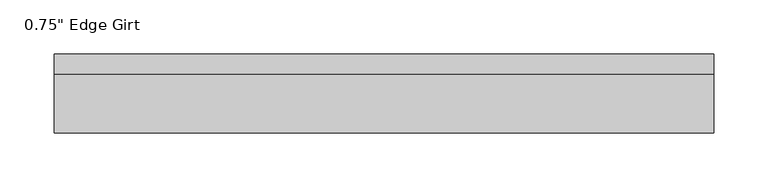
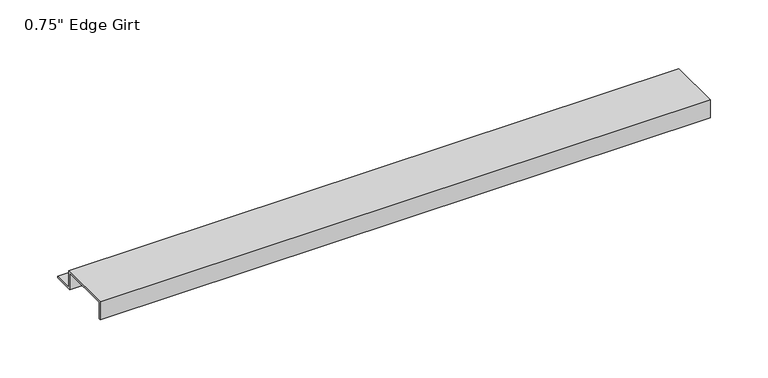
"""IFC4 building model written with IfcOpenShell, lengths in millimetres: proxy geometry."""

from ifc_helpers import new_model, si_unit, frame, origin, place, context, project, spatial, polyline, outline, extrude, source, transform, mapped, element, save


def proxy_44dffc5e(model_context):
    return source(origin(), model_context, "Body", "SweptSolid", [
        extrude(outline(polyline([(46.0559645, -17.4375), (25.4, -17.4375), (25.4, 0.0), (-25.4, 0.0), (-25.4, -17.4375), (-27.0129, -17.4375), (-27.0129, 1.6129), (27.0129, 1.6129), (27.0129, -15.8242), (46.0559645, -15.8242), (46.0559645, -17.4375)])), frame((0.0, 0.0, 0.0), z_axis=(1.0, 0.0, 0.0), x_axis=(0.0, 1.0, 0.0)), (0.0, 0.0, 1.0), 609.6),
    ])


if __name__ == "__main__":
    model = new_model("IFC4")
    model_context = context("Model", 3, world=origin())
    ifc_project = project(units=[si_unit("LENGTHUNIT", "METRE", prefix="MILLI")], contexts=[model_context])
    site = spatial("IfcSite", under=ifc_project)
    building = spatial("IfcBuilding", under=site)
    placement = place(None, origin())
    proxy_shape = proxy_44dffc5e(model_context)
    element("IfcBuildingElementProxy", 1, Name="0.75\" Edge Girt", ObjectType="0.75\" Edge Girt", at=placement, inside=building, context=model_context, shape_type="MappedRepresentation", body=[
        mapped(proxy_shape, transform((0.0, 0.0, 0.0), x_axis=(1.0, 0.0, 0.0), y_axis=(0.0, 1.0, 0.0), z_axis=(0.0, 0.0, 1.0))),
    ])
    save(model, "model.ifc")
